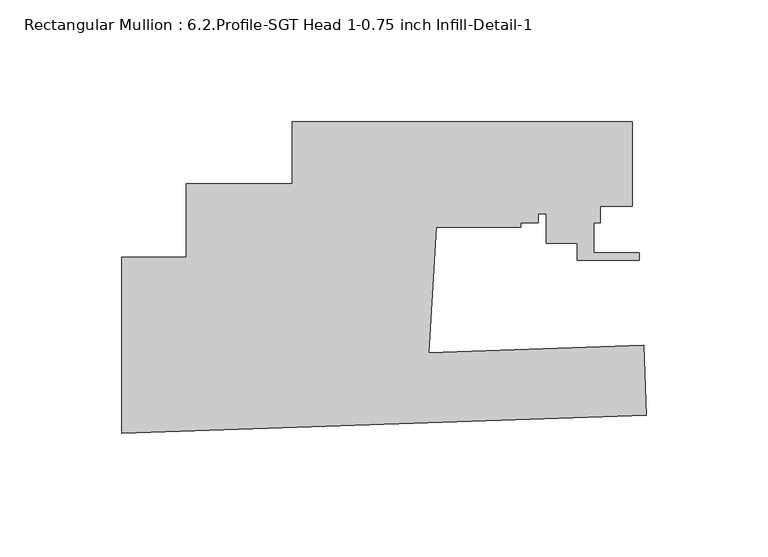
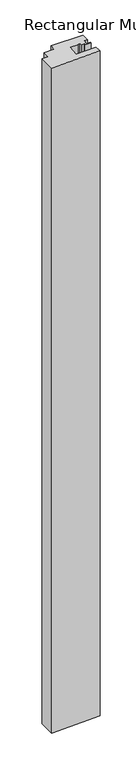
"""IFC4 building model written with IfcOpenShell, lengths in millimetres: member geometry, Rectangular Mullion : 6.2.Profile-SGT Head 1-0.75 inch Infill-Detail-1."""

from ifc_helpers import new_model, si_unit, frame, origin, place, context, project, spatial, polyline, outline, extrude, source, transform, mapped, element, save


def rectangular_mullion_6_2_profile_sgt_head_1_0_75_inch_infill_b82fd38f(model_context):
    return source(origin(), model_context, "Body", "SweptSolid", [
        extrude(outline(polyline([(-214.7746854, -36.0999341), (-214.7746854, 35.9871256), (-188.4813225, 35.9871256), (-188.4813225, 66.1028951), (-144.9247556, 66.1028951), (-144.9242384, 91.5027819), (-5.7326909, 91.5027819), (-5.7326909, 57.011671), (-18.7764901, 57.011671), (-18.7764901, 50.1536712), (-21.3164901, 50.1536712), (-21.3164901, 37.9511504), (-2.858098, 37.9511504), (-2.858098, 34.7761504), (-28.258098, 34.7761504), (-28.258098, 41.8369853), (-40.958098, 41.8369853), (-40.958098, 53.836671), (-44.1764901, 53.836671), (-44.1764901, 50.1536712), (-51.2905272, 50.1536712), (-51.2905272, 48.375671), (-86.0013597, 48.375671), (-89.0704609, -3.1178281), (-0.9972531, -0.0422439), (0.0, -28.5998368), (-214.7746854, -36.0999341)])), frame((0.0, 0.0, -3048.0), z_axis=(0.0, 0.0, 1.0), x_axis=(1.0, 0.0, 0.0)), (0.0, 0.0, 1.0), 3048.0),
    ])


if __name__ == "__main__":
    model = new_model("IFC4")
    model_context = context("Model", 3, world=origin())
    ifc_project = project(units=[si_unit("LENGTHUNIT", "METRE", prefix="MILLI")], contexts=[model_context])
    site = spatial("IfcSite", under=ifc_project)
    building = spatial("IfcBuilding", under=site)
    placement = place(None, origin())
    rectangular_mullion_6_2_profile_sgt_head_1_0_75_inch_infill_shape = rectangular_mullion_6_2_profile_sgt_head_1_0_75_inch_infill_b82fd38f(model_context)
    element("IfcMember", 1, ObjectType="Rectangular Mullion : 6.2.Profile-SGT Head 1-0.75 inch Infill-Detail-1", at=placement, inside=building, context=model_context, shape_type="MappedRepresentation", body=[
        mapped(rectangular_mullion_6_2_profile_sgt_head_1_0_75_inch_infill_shape, transform((0.0, 0.0, 0.0), x_axis=(1.0, 0.0, 0.0), y_axis=(0.0, 1.0, 0.0), z_axis=(0.0, 0.0, 1.0))),
    ])
    save(model, "model.ifc")
